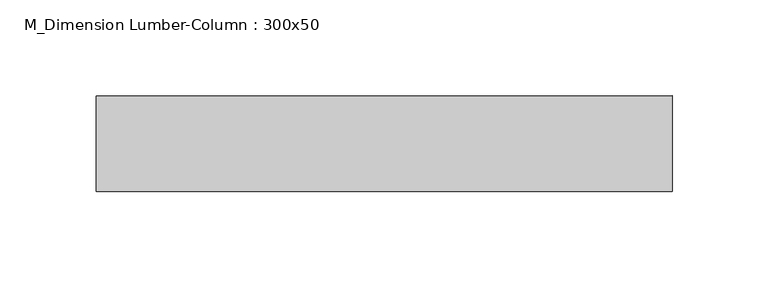
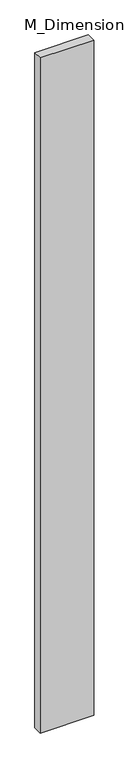
"""IFC4 building model written with IfcOpenShell, lengths in millimetres: column geometry, M_Dimension Lumber-Column : 300x50."""

from ifc_helpers import new_model, si_unit, origin, origin_with_axes, place, context, project, spatial, polyline, outline, extrude, source, transform, mapped, element, save


def m_dimension_lumber_column_300x50_87d6186f(model_context):
    return source(origin(), model_context, "Body", "SweptSolid", [
        extrude(outline(polyline([(150.0, 25.0), (150.0, -25.0), (-150.0, -25.0), (-150.0, 25.0), (150.0, 25.0)])), origin_with_axes(), (0.0, 0.0, 1.0), 4000.0),
    ])


if __name__ == "__main__":
    model = new_model("IFC4")
    model_context = context("Model", 3, world=origin())
    ifc_project = project(units=[si_unit("LENGTHUNIT", "METRE", prefix="MILLI")], contexts=[model_context])
    site = spatial("IfcSite", under=ifc_project)
    building = spatial("IfcBuilding", under=site)
    placement = place(None, origin())
    m_dimension_lumber_column_300x50_shape = m_dimension_lumber_column_300x50_87d6186f(model_context)
    element("IfcColumn", 1, ObjectType="M_Dimension Lumber-Column : 300x50", at=placement, inside=building, context=model_context, shape_type="MappedRepresentation", body=[
        mapped(m_dimension_lumber_column_300x50_shape, transform((0.0, 0.0, 0.0), x_axis=(1.0, 0.0, 0.0), y_axis=(0.0, 1.0, 0.0), z_axis=(0.0, 0.0, 1.0))),
    ])
    save(model, "model.ifc")
